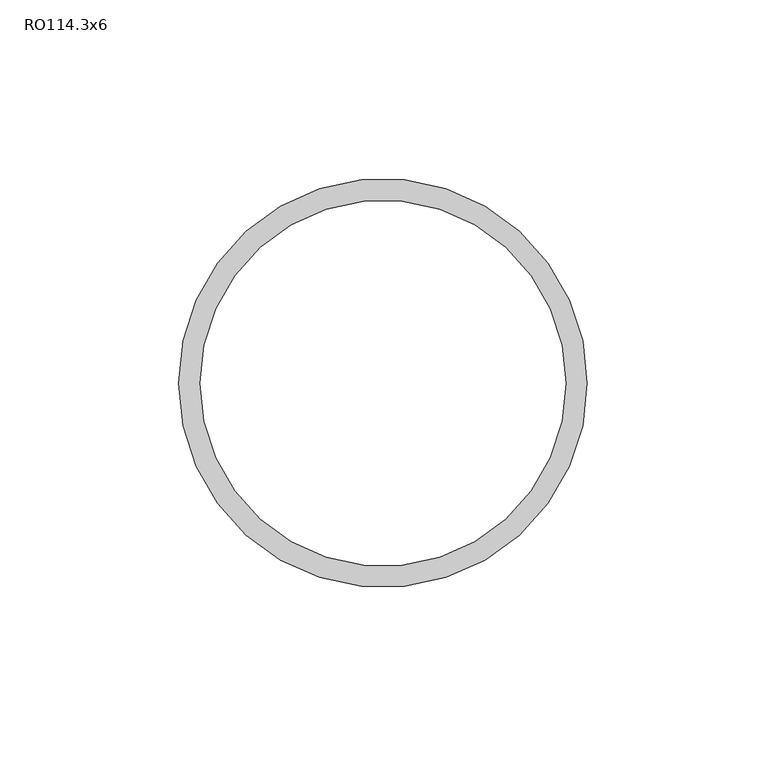
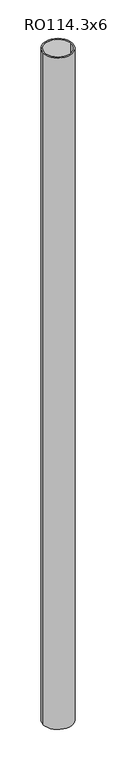
"""IFC4 building model written with IfcOpenShell, lengths in millimetres: column geometry, RO114.3x6."""

from ifc_helpers import new_model, si_unit, point, frame, origin, origin_2d, place, context, project, spatial, circle_curve, trimmed, segment, composite_curve, outline, extrude, source, transform, mapped, element, save


def ro114_3x6_138fa141(model_context):
    return source(origin(), model_context, "Body", "SweptSolid", [
        extrude(outline(composite_curve([segment(trimmed(circle_curve(origin_2d(), 57.15), [point((-57.15, 0.0))], [point((57.15, 0.0))], False, "CARTESIAN"), True, "CONTINUOUS"), segment(trimmed(circle_curve(origin_2d(), 57.15), [point((57.15, 0.0))], [point((-57.15, 0.0))], False, "CARTESIAN"), True, "CONTINUOUS")], self_intersect=False), holes=[composite_curve([segment(trimmed(circle_curve(origin_2d(), 51.15), [point((-51.15, 0.0))], [point((51.15, 0.0))], True, "CARTESIAN"), True, "CONTINUOUS"), segment(trimmed(circle_curve(origin_2d(), 51.15), [point((51.15, 0.0))], [point((-51.15, 0.0))], True, "CARTESIAN"), True, "CONTINUOUS")], self_intersect=False)]), frame((0.0, 0.0, 3800.0), z_axis=(0.0, 0.0, 1.0), x_axis=(1.0, 0.0, 0.0)), (0.0, 0.0, 1.0), 2750.0),
    ])


if __name__ == "__main__":
    model = new_model("IFC4")
    model_context = context("Model", 3, world=origin())
    ifc_project = project(units=[si_unit("LENGTHUNIT", "METRE", prefix="MILLI")], contexts=[model_context])
    site = spatial("IfcSite", under=ifc_project)
    building = spatial("IfcBuilding", under=site)
    placement = place(None, origin())
    ro114_3x6_shape = ro114_3x6_138fa141(model_context)
    element("IfcColumn", 1, ObjectType="RO114.3x6", at=placement, inside=building, context=model_context, shape_type="MappedRepresentation", body=[
        mapped(ro114_3x6_shape, transform((0.0, 0.0, 0.0), x_axis=(1.0, 0.0, 0.0), y_axis=(0.0, 1.0, 0.0), z_axis=(0.0, 0.0, 1.0))),
    ])
    save(model, "model.ifc")
